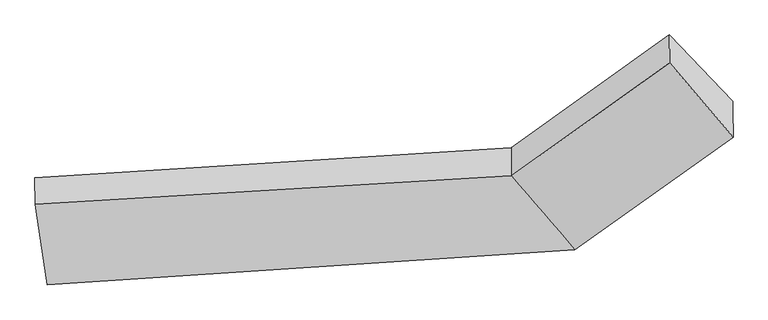
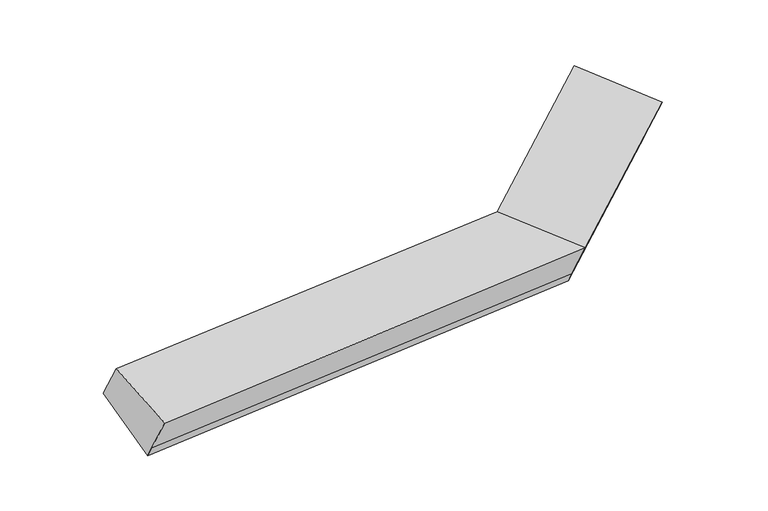
"""IFC4 building model written with IfcOpenShell, lengths in millimetres: proxy geometry."""

from ifc_helpers import new_model, si_unit, frame, origin, place, context, project, spatial, source, transform, mapped, element, save
from ifc_brep_helpers import plane_surface, spline_surface, advanced_brep


def generic_models_e19a0755(model_context):
    return source(origin(), model_context, "Body", "AdvancedBrep", [
        advanced_brep(
        [(-3378.4051243, -1804.6853722, 1642.6055007), (-3376.866249, -2036.6324205, 2055.1786087), (752.3851694, -1787.5415919, 2194.8378067), (750.7783405, -1545.3522349, 1764.0463115), (-3272.9306049, -2425.3622284, 1293.2698943), (1300.7584004, -2120.7924894, 1438.4845706), (-3272.4754181, -2493.9702773, 1415.3056613), (1301.2135872, -2189.4005383, 1560.5203376), (-3270.8992196, -2731.5428535, 1837.8851115), (1302.8122529, -2430.3594935, 1989.1232699), (2671.6713231, -1210.8511616, 2100.66853), (2671.2161363, -1142.2431128, 1978.6327629), (2121.2360764, -566.8028582, 2304.1945038), (2122.8429053, -808.9922153, 2734.985999), (2673.2699888, -1451.8101168, 2529.2714622)],
        [
            (0, 1),
            (1, 2),
            (2, 3),
            (3, 0),
            (4, 0),
            (0, 5),
            (5, 4),
            (6, 4),
            (5, 7),
            (7, 6),
            (8, 6),
            (7, 9),
            (9, 8),
            (1, 8),
            (9, 2),
            (10, 11),
            (11, 12),
            (12, 13),
            (13, 14),
            (14, 10),
            (3, 5),
            (5, 11),
            (10, 7),
            (3, 12),
            (2, 13),
            (9, 14),
        ],
        [
            plane_surface(frame((-3377.6356866, -1920.6588964, 1848.8920547), z_axis=(-0.06899325283323954, 0.8695015809446633, 0.489087856931881), x_axis=(0.0032513342807333687, -0.49005749187288145, 0.8716840502640024))),
            plane_surface(frame((-3325.6678646, -2115.0238003, 1467.9376975), z_axis=(-0.004939349915609008, 0.4898361825932071, -0.8718005030079563), x_axis=(-0.14649238810234358, 0.8620511891603637, 0.48518834229119234))),
            plane_surface(frame((-3272.7030115, -2459.6662528, 1354.2877778), z_axis=(0.07340687452031452, -0.8692199196099758, -0.4889459705595151), x_axis=(-0.0032513342807334224, 0.49005749187288145, -0.8716840502640023))),
            plane_surface(frame((-3271.6873188, -2612.7565654, 1626.5953864), z_axis=(0.07340687452031651, -0.8692199196099758, -0.48894597055951466), x_axis=(-0.003251334280733618, 0.4900574918728811, -0.8716840502640025))),
            spline_surface(1, 1, [[(-3376.866249, -2036.6324205, 2055.1786087), (752.3851694, -1787.5415919, 2194.8378067)], [(-3270.8992196, -2731.5428535, 1837.8851115), (1302.8122529, -2430.3594935, 1989.1232699)]], [2, 2], [2, 2], [0.0, 1.0], [0.0, 1.0]),
            plane_surface(frame((2397.1412767, -992.4620758, 2386.771182), z_axis=(0.7687744906244633, 0.5586829724088823, 0.3112219768998861), x_axis=(-0.0032513342807328873, 0.49005749187288106, -0.8716840502640026))),
            plane_surface(frame((-3324.7752994, -2249.5557187, 1707.2347788), z_axis=(-0.9892064542113883, -0.12927258768380068, -0.068986875708839), x_axis=(-0.003251334280733548, 0.4900574918728813, -0.8716840502640025))),
            plane_surface(frame((-3378.4051243, -1804.6853722, 1642.6055007), z_axis=(-0.005038615281078018, 0.48875731018689583, -0.8724052407539287), x_axis=(-0.6395116976181897, 0.6691165750447627, 0.37856016379152685))),
            plane_surface(frame((1300.9859938, -2155.0965139, 1499.5024541), z_axis=(0.6320124546921865, -0.6745129019580958, -0.3815659866995818), x_axis=(-0.0032513342807314917, 0.49005749187288, -0.8716840502640031))),
            plane_surface(frame((1025.7683704, -1833.0723622, 1601.265441), z_axis=(-0.005099406776851251, 0.48871303978909536, -0.8724296881643967), x_axis=(-0.6395116976181844, 0.6691165750447667, 0.3785601637915285))),
            plane_surface(frame((751.5817549, -1666.4469134, 1979.4420591), z_axis=(-0.6320124546921897, 0.6745129019580924, 0.3815659866995823), x_axis=(0.0032513342807335903, -0.4900574918728809, 0.8716840502640026))),
            plane_surface(frame((1027.5987112, -2108.9505427, 2091.9805383), z_axis=(-0.09474212357541462, -0.3760952866230943, 0.921724614730622), x_axis=(0.6320057912699862, -0.7380898372628113, -0.23620345452714137))),
            plane_surface(frame((1302.0129201, -2309.8800159, 1774.8218038), z_axis=(0.6320124546921864, -0.6745129019580948, -0.38156598669958386), x_axis=(-0.003251334280733284, 0.49005749187288133, -0.8716840502640024))),
        ],
        [
            (0, [[1, 2, 3, 4]]),
            (1, [[5, 6, 7]]),
            (2, [[8, -7, 9, 10]]),
            (3, [[11, -10, 12, 13]]),
            (4, [[14, -13, 15, -2]]),
            (5, [[16, 17, 18, 19, 20]]),
            (6, [[-1, -5, -8, -11, -14]]),
            (7, [[21, -6, -4]]),
            (8, [[-9, 22, -16, 23]]),
            (9, [[-21, 24, -17, -22]]),
            (10, [[-3, 25, -18, -24]]),
            (11, [[-15, 26, -19, -25]]),
            (12, [[-12, -23, -20, -26]]),
        ],
    ),
    ])


if __name__ == "__main__":
    model = new_model("IFC4")
    model_context = context("Model", 3, world=origin())
    ifc_project = project(units=[si_unit("LENGTHUNIT", "METRE", prefix="MILLI")], contexts=[model_context])
    site = spatial("IfcSite", under=ifc_project)
    building = spatial("IfcBuilding", under=site)
    placement = place(None, origin())
    generic_models_shape = generic_models_e19a0755(model_context)
    element("IfcBuildingElementProxy", 1, Name="Generic Models", at=placement, inside=building, context=model_context, shape_type="MappedRepresentation", body=[
        mapped(generic_models_shape, transform((0.0, 0.0, 0.0), x_axis=(1.0, 0.0, 0.0), y_axis=(0.0, 1.0, 0.0), z_axis=(0.0, 0.0, 1.0))),
    ])
    save(model, "model.ifc")
